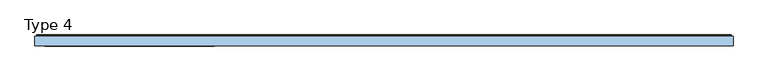
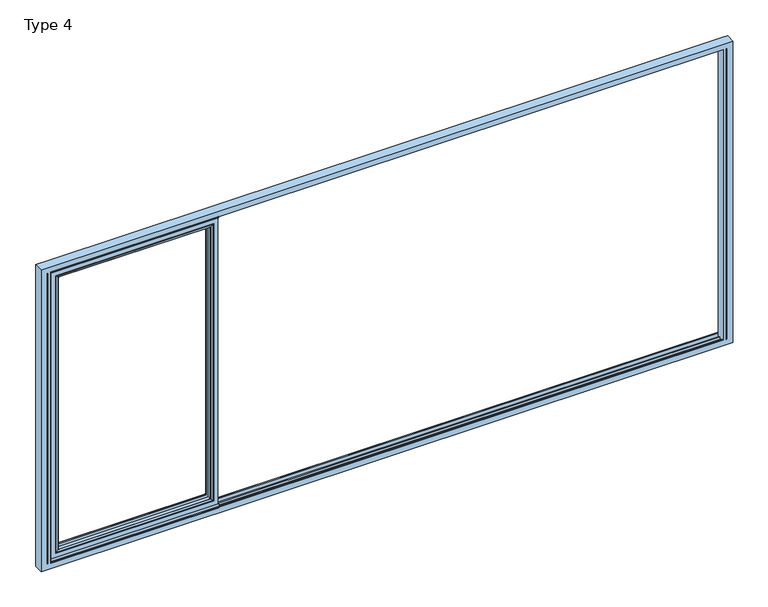
"""IFC4 building model written with IfcOpenShell, lengths in millimetres: window geometry, Type 4."""

from ifc_helpers import new_model, si_unit, point, frame, frame_2d, origin, place, context, project, spatial, polyline, circle_curve, ellipse_curve, trimmed, segment, composite_curve, outline, extrude, source, transform, mapped, element, save
from ifc_brep_helpers import plane_surface, cylinder_surface, advanced_brep


def type_4_108d9257(model_context):
    return source(origin(), model_context, "Body", "SolidModel", [
        advanced_brep(
        [(-1319.3995728, -64.5552044, 2283.0004272), (-1319.3995728, -37.9928974, 2283.0004272), (-1319.3995728, -37.9928974, 128.9995728), (-1319.3995728, -64.5552044, 128.9995728), (-1297.4, -37.9928974, 2305.0), (-1297.4, -37.9928974, 107.0), (-2480.8, -37.9928974, 107.0), (-2480.8, -37.9928974, 2305.0), (-2458.8004272, -37.9928974, 2283.0004272), (-2458.8004272, -37.9928974, 128.9995728), (-2458.8004272, -64.5552044, 128.9995728), (-1318.6900293, -65.8045072, 2283.7099707), (-1318.6900293, -65.8045072, 128.2900293), (-2459.5099707, -65.8045072, 128.2900293), (-1303.399939, -70.0, 2299.000061), (-1303.399939, -70.0, 112.999939), (-2474.800061, -70.0, 112.999939), (-2480.8, -70.0, 2305.0), (-2480.8, -70.0, 107.0), (-1297.4, -70.0, 107.0), (-1297.4, -70.0, 2305.0), (-2474.800061, -70.0, 2299.000061), (-2458.8004272, -64.5552044, 2283.0004272), (-2459.5099707, -65.8045072, 2283.7099707)],
        [
            (0, 1),
            (1, 2),
            (2, 3),
            (3, 0),
            (4, 5),
            (5, 6),
            (6, 7),
            (7, 4),
            (8, 9),
            (9, 2),
            (1, 8),
            (9, 10),
            (10, 3),
            (11, 0, ellipse_curve(frame((-1317.9449688, -64.5552044, 2284.4550312), z_axis=(0.7071067811865475, 0.0, -0.7071067811865475), x_axis=(0.7071067811865474, 0.0, 0.7071067811865476)), 2.0571207, 1.454604)),
            (3, 12, ellipse_curve(frame((-1317.9449688, -64.5552044, 127.5449688), z_axis=(0.7071067811865475, 0.0, 0.7071067811865475), x_axis=(-0.7071067811865474, 0.0, 0.7071067811865476)), 2.0571207, 1.454604)),
            (12, 11),
            (10, 13, ellipse_curve(frame((-2460.2550312, -64.5552044, 127.5449688), z_axis=(0.7071067811865475, 0.0, -0.7071067811865475), x_axis=(0.7071067811865476, 0.0, 0.7071067811865474)), 2.0571207, 1.454604)),
            (13, 12),
            (14, 11, ellipse_curve(frame((-1303.4638746, -40.2735922, 2298.9361254), z_axis=(0.7071067811865475, 0.0, -0.7071067811865475), x_axis=(0.7071067811865474, 0.0, 0.7071067811865476)), 42.0395863, 29.7264765)),
            (12, 15, ellipse_curve(frame((-1303.4638746, -40.2735922, 113.0638746), z_axis=(0.7071067811865475, 0.0, 0.7071067811865475), x_axis=(-0.7071067811865474, 0.0, 0.7071067811865476)), 42.0395863, 29.7264765)),
            (15, 14),
            (13, 16, ellipse_curve(frame((-2474.7361254, -40.2735922, 113.0638746), z_axis=(0.7071067811865475, 0.0, -0.7071067811865475), x_axis=(0.7071067811865476, 0.0, 0.7071067811865474)), 42.0395863, 29.7264765)),
            (16, 15),
            (17, 18),
            (18, 19),
            (19, 20),
            (20, 17),
            (16, 21),
            (21, 14),
            (4, 20),
            (19, 5),
            (18, 6),
            (8, 22),
            (22, 10),
            (22, 23, ellipse_curve(frame((-2460.2550312, -64.5552044, 2284.4550312), z_axis=(-0.7071067811865475, 0.0, -0.7071067811865475), x_axis=(0.7071067811865474, 0.0, -0.7071067811865476)), 2.0571207, 1.454604)),
            (23, 13),
            (23, 21, ellipse_curve(frame((-2474.7361254, -40.2735922, 2298.9361254), z_axis=(-0.7071067811865475, 0.0, -0.7071067811865475), x_axis=(0.7071067811865474, 0.0, -0.7071067811865476)), 42.0395863, 29.7264765)),
            (17, 7),
            (0, 22),
            (11, 23),
        ],
        [
            plane_surface(frame((-1319.3995728, -37.9928974, 2283.0004272), z_axis=(-1.0, 0.0, 0.0), x_axis=(0.0, 0.0, -1.0))),
            plane_surface(frame((-2480.8, -37.9928974, 107.0), z_axis=(0.0, 1.0, 0.0), x_axis=(0.0, 0.0, 1.0))),
            plane_surface(frame((-1319.3995728, -37.9928974, 128.9995728), z_axis=(0.0, 0.0, 1.0), x_axis=(-1.0, 0.0, 0.0))),
            cylinder_surface(frame((-1317.9449688, -64.5552044, 2283.0004272), z_axis=(0.0, 0.0, 1.0), x_axis=(1.0, 0.0, 0.0)), 1.454604),
            cylinder_surface(frame((-1319.3995728, -64.5552044, 127.5449688), z_axis=(1.0, 0.0, 0.0), x_axis=(0.0, 0.0, -1.0)), 1.454604),
            cylinder_surface(frame((-1303.4638746, -40.2735922, 2283.0004272), z_axis=(0.0, 0.0, 1.0), x_axis=(1.0, 0.0, 0.0)), 29.7264765),
            cylinder_surface(frame((-1319.3995728, -40.2735922, 113.0638746), z_axis=(1.0, 0.0, 0.0), x_axis=(0.0, 0.0, -1.0)), 29.7264765),
            plane_surface(frame((-2474.800061, -70.0, 112.999939), z_axis=(0.0, -1.0, 0.0), x_axis=(0.0, 0.0, 1.0))),
            plane_surface(frame((-1297.4, -70.0, 2305.0), z_axis=(1.0, 0.0, 0.0), x_axis=(0.0, 0.0, -1.0))),
            plane_surface(frame((-1297.4, -70.0, 107.0), z_axis=(0.0, 0.0, -1.0), x_axis=(-1.0, 0.0, 0.0))),
            plane_surface(frame((-2458.8004272, -37.9928974, 128.9995728), z_axis=(1.0, 0.0, 0.0), x_axis=(0.0, 0.0, 1.0))),
            cylinder_surface(frame((-2460.2550312, -64.5552044, 128.9995728), z_axis=(0.0, 0.0, -1.0), x_axis=(-1.0, 0.0, 0.0)), 1.454604),
            cylinder_surface(frame((-2474.7361254, -40.2735922, 128.9995728), z_axis=(0.0, 0.0, -1.0), x_axis=(-1.0, 0.0, 0.0)), 29.7264765),
            plane_surface(frame((-2480.8, -70.0, 107.0), z_axis=(-1.0, 0.0, 0.0), x_axis=(0.0, 0.0, 1.0))),
            plane_surface(frame((-2458.8004272, -37.9928974, 2283.0004272), z_axis=(0.0, 0.0, -1.0), x_axis=(1.0, 0.0, 0.0))),
            cylinder_surface(frame((-2458.8004272, -64.5552044, 2284.4550312), z_axis=(-1.0, 0.0, 0.0), x_axis=(0.0, 0.0, 1.0)), 1.454604),
            cylinder_surface(frame((-2458.8004272, -40.2735922, 2298.9361254), z_axis=(-1.0, 0.0, 0.0), x_axis=(0.0, 0.0, 1.0)), 29.7264765),
            plane_surface(frame((-2480.8, -70.0, 2305.0), z_axis=(0.0, 0.0, 1.0), x_axis=(1.0, 0.0, 0.0))),
        ],
        [
            (0, [[1, 2, 3, 4]]),
            (1, [[5, 6, 7, 8], [9, 10, -2, 11]]),
            (2, [[-3, -10, 12, 13]]),
            (3, [[14, -4, 15, 16]]),
            (4, [[-15, -13, 17, 18]]),
            (5, [[19, -16, 20, 21]]),
            (6, [[-20, -18, 22, 23]]),
            (7, [[24, 25, 26, 27], [-21, -23, 28, 29]]),
            (8, [[30, -26, 31, -5]]),
            (9, [[-31, -25, 32, -6]]),
            (10, [[-12, -9, 33, 34]]),
            (11, [[-17, -34, 35, 36]]),
            (12, [[-22, -36, 37, -28]]),
            (13, [[-32, -24, 38, -7]]),
            (14, [[-33, -11, -1, 39]]),
            (15, [[-35, -39, -14, 40]]),
            (16, [[-37, -40, -19, -29]]),
            (17, [[-38, -27, -30, -8]]),
        ],
    ),
        advanced_brep(
        [(-2512.8, -70.0, 2337.0), (-2512.8, 0.0, 2337.0), (-2512.8, 0.0, 75.0), (-2512.8, -70.0, 75.0), (-1265.4, 0.0, 75.0), (-1265.4, -70.0, 75.0), (-1265.4, 0.0, 2337.0), (-1314.8991901, 0.0, 124.4991901), (-1314.8991901, 0.0, 2287.5008099), (-2463.3008099, 0.0, 2287.5008099), (-2463.3008099, 0.0, 124.4991901), (-1265.4, -70.0, 2337.0), (-2480.8, -70.0, 107.0), (-2480.8, -70.0, 2305.0), (-1297.4, -70.0, 2305.0), (-1297.4, -70.0, 107.0), (-2480.8, -13.999939, 2305.0), (-2480.8, -13.999939, 107.0), (-1297.4, -13.999939, 107.0), (-1297.4, -13.999939, 2305.0), (-2458.8004272, -13.999939, 128.9995728), (-2458.8004272, -13.999939, 2283.0004272), (-1319.3995728, -13.999939, 2283.0004272), (-1319.3995728, -13.999939, 128.9995728), (-2458.8004272, -4.5004435, 2283.0004272), (-2458.8004272, -4.5004435, 128.9995728), (-1319.3995728, -4.5004435, 128.9995728), (-1319.3995728, -4.5004435, 2283.0004272)],
        [
            (0, 1),
            (1, 2),
            (2, 3),
            (3, 0),
            (2, 4),
            (4, 5),
            (5, 3),
            (1, 6),
            (6, 4),
            (7, 8),
            (8, 9),
            (9, 10),
            (10, 7),
            (6, 11),
            (11, 5),
            (11, 0),
            (12, 13),
            (13, 14),
            (14, 15),
            (15, 12),
            (16, 13),
            (12, 17),
            (17, 16),
            (15, 18),
            (18, 17),
            (14, 19),
            (19, 18),
            (19, 16),
            (20, 21),
            (21, 22),
            (22, 23),
            (23, 20),
            (24, 21),
            (20, 25),
            (25, 24),
            (23, 26),
            (26, 25),
            (22, 27),
            (27, 26),
            (10, 25, ellipse_curve(frame((-2463.3008099, -4.5004435, 124.4991901), z_axis=(0.7071067811865475, 0.0, -0.7071067811865475), x_axis=(-0.7071067811865476, 0.0, -0.7071067811865474)), 6.3645023, 4.5003827)),
            (26, 7, ellipse_curve(frame((-1314.8991901, -4.5004435, 124.4991901), z_axis=(-0.7071067811865475, 0.0, -0.7071067811865475), x_axis=(-0.7071067811865476, 0.0, 0.7071067811865474)), 6.3645023, 4.5003827)),
            (9, 24, ellipse_curve(frame((-2463.3008099, -4.5004435, 2287.5008099), z_axis=(-0.7071067811865475, 0.0, -0.7071067811865475), x_axis=(-0.7071067811865474, 0.0, 0.7071067811865476)), 6.3645023, 4.5003827)),
            (27, 8, ellipse_curve(frame((-1314.8991901, -4.5004435, 2287.5008099), z_axis=(0.7071067811865475, 0.0, -0.7071067811865475), x_axis=(-0.7071067811865474, 0.0, -0.7071067811865476)), 6.3645023, 4.5003827)),
            (24, 27),
        ],
        [
            plane_surface(frame((-2512.8, 0.0, 2337.0), z_axis=(-1.0, 0.0, 0.0), x_axis=(0.0, 0.0, -1.0))),
            plane_surface(frame((-2512.8, 0.0, 75.0), z_axis=(0.0, 0.0, -1.0), x_axis=(1.0, 0.0, 0.0))),
            plane_surface(frame((-2463.3008099, 0.0, 2287.5008099), z_axis=(0.0, 1.0, 0.0), x_axis=(0.0, 0.0, -1.0))),
            plane_surface(frame((-1265.4, 0.0, 75.0), z_axis=(1.0, 0.0, 0.0), x_axis=(0.0, 0.0, 1.0))),
            plane_surface(frame((-2512.8, -70.0, 2337.0), z_axis=(0.0, -1.0, 0.0), x_axis=(0.0, 0.0, -1.0))),
            plane_surface(frame((-2480.8, -70.0, 2305.0), z_axis=(1.0, 0.0, 0.0), x_axis=(0.0, 0.0, -1.0))),
            plane_surface(frame((-2480.8, -70.0, 107.0), z_axis=(0.0, 0.0, 1.0), x_axis=(1.0, 0.0, 0.0))),
            plane_surface(frame((-1297.4, -70.0, 107.0), z_axis=(-1.0, 0.0, 0.0), x_axis=(0.0, 0.0, 1.0))),
            plane_surface(frame((-2480.8, -13.999939, 2305.0), z_axis=(0.0, -1.0, 0.0), x_axis=(0.0, 0.0, -1.0))),
            plane_surface(frame((-2458.8004272, -13.999939, 2283.0004272), z_axis=(1.0, 0.0, 0.0), x_axis=(0.0, 0.0, -1.0))),
            plane_surface(frame((-2458.8004272, -13.999939, 128.9995728), z_axis=(0.0, 0.0, 1.0), x_axis=(1.0, 0.0, 0.0))),
            plane_surface(frame((-1319.3995728, -13.999939, 128.9995728), z_axis=(-1.0, 0.0, 0.0), x_axis=(0.0, 0.0, 1.0))),
            cylinder_surface(frame((-2518.8, -4.5004435, 124.4991901), z_axis=(-1.0, 0.0, 0.0), x_axis=(0.0, -1.0, 0.0)), 4.5003827),
            cylinder_surface(frame((-2463.3008099, -4.5004435, 2343.0), z_axis=(0.0, 0.0, 1.0), x_axis=(0.0, -1.0, 0.0)), 4.5003827),
            cylinder_surface(frame((-1314.8991901, -4.5004435, 69.0), z_axis=(0.0, 0.0, -1.0), x_axis=(0.0, -1.0, 0.0)), 4.5003827),
            plane_surface(frame((-1265.4, 0.0, 2337.0), z_axis=(0.0, 0.0, 1.0), x_axis=(-1.0, 0.0, 0.0))),
            plane_surface(frame((-1297.4, -70.0, 2305.0), z_axis=(0.0, 0.0, -1.0), x_axis=(-1.0, 0.0, 0.0))),
            plane_surface(frame((-1319.3995728, -13.999939, 2283.0004272), z_axis=(0.0, 0.0, -1.0), x_axis=(-1.0, 0.0, 0.0))),
            cylinder_surface(frame((-1259.4, -4.5004435, 2287.5008099), z_axis=(1.0, 0.0, 0.0), x_axis=(0.0, -1.0, 0.0)), 4.5003827),
        ],
        [
            (0, [[1, 2, 3, 4]]),
            (1, [[-3, 5, 6, 7]]),
            (2, [[-2, 8, 9, -5], [10, 11, 12, 13]]),
            (3, [[-6, -9, 14, 15]]),
            (4, [[-15, 16, -4, -7], [17, 18, 19, 20]]),
            (5, [[21, -17, 22, 23]]),
            (6, [[-22, -20, 24, 25]]),
            (7, [[-24, -19, 26, 27]]),
            (8, [[-27, 28, -23, -25], [29, 30, 31, 32]]),
            (9, [[33, -29, 34, 35]]),
            (10, [[-34, -32, 36, 37]]),
            (11, [[-36, -31, 38, 39]]),
            (12, [[40, -37, 41, -13]]),
            (13, [[42, -35, -40, -12]]),
            (14, [[-41, -39, 43, -10]]),
            (15, [[-14, -8, -1, -16]]),
            (16, [[-26, -18, -21, -28]]),
            (17, [[-38, -30, -33, 44]]),
            (18, [[-43, -44, -42, -11]]),
        ],
    ),
        extrude(outline(polyline([(-2518.8, -7.6000076), (-2518.8, 0.0), (-1259.4, 0.0), (-1259.4, -7.6000076), (-2518.8, -7.6000076)])), frame((0.0, 0.0, 52.9995117), z_axis=(0.0, 0.0, 1.0), x_axis=(1.0, 0.0, 0.0)), (0.0, 0.0, 1.0), 22.0004883),
        extrude(outline(composite_curve([segment(polyline([(-70.0, 45.0), (-70.0, 41.2896854), (-70.8737, 41.2896854), (-71.8670103, 44.9870904)]), True, "CONTINUOUS"), segment(trimmed(circle_curve(frame_2d((-69.9354978, 45.5059925)), 2.0), [point((-71.8670103, 44.9870904))], [point((-71.8566157, 46.0621453))], False, "CARTESIAN"), True, "CONTINUOUS"), segment(polyline([(-71.8566157, 46.0621453), (-70.0, 52.4754501), (-70.0, 75.0), (-62.2757497, 75.0), (-62.2757497, 45.0), (-70.0, 45.0)]), True, "CONTINUOUS")], self_intersect=False)), frame((-2518.8, 0.0, 0.0), z_axis=(1.0, 0.0, 0.0), x_axis=(0.0, 1.0, 0.0)), (0.0, 0.0, 1.0), 1259.4),
        extrude(outline(composite_curve([segment(polyline([(-52.044326, 2339.1400778), (-52.044326, 2337.0), (-70.0, 2337.0), (-71.8735116, 2343.9547971)]), True, "CONTINUOUS"), segment(trimmed(circle_curve(frame_2d((-69.9423544, 2344.4750201)), 2.0), [point((-71.8735116, 2343.9547971))], [point((-71.8738669, 2344.9939222))], False, "CARTESIAN"), True, "CONTINUOUS"), segment(polyline([(-71.8738669, 2344.9939222), (-70.8937897, 2348.6420698), (-70.0, 2348.6420698), (-70.0, 2342.963961), (-68.6363596, 2339.1400778), (-52.044326, 2339.1400778)]), True, "CONTINUOUS")], self_intersect=False)), frame((-2518.8, 0.0, 0.0), z_axis=(1.0, 0.0, 0.0), x_axis=(0.0, 1.0, 0.0)), (0.0, 0.0, 1.0), 1259.4),
        advanced_brep(
        [(-2545.0, -70.0, 45.0), (-2545.0, -66.5, 45.0), (-2545.0, -66.4999084, 2345.0), (-2545.0, -70.0, 2345.0), (-2540.0003662, -70.0, 45.0), (-2540.0003662, -66.5, 45.0), (2545.0, -70.0, 45.0), (2545.0, -66.5, 45.0), (2540.0003662, -66.4999084, 45.0), (2540.0003662, -70.0, 45.0), (-2518.8, -66.5, 45.0), (-2518.8, -70.0, 45.0), (2518.7961345, -70.0, 45.0), (2518.7961345, -66.5, 45.0), (-2590.0, -70.0, 2390.0), (-2590.0, -70.0, 0.0), (2590.0, -70.0, 0.0), (2590.0, -70.0, 2390.0), (-2540.0003662, -70.0, 2345.0), (2545.0, -70.0, 2345.0), (2540.0003662, -70.0, 2345.0), (-2518.8, -70.0, 2345.0), (2518.7961345, -70.0, 2345.0), (-2540.0003662, -66.5, 2345.0), (2545.0, -66.5, 2345.0), (2540.0003662, -66.4999084, 2345.0), (-2518.8, -66.5, 24.0002136), (-2518.8, -55.8499756, 24.0002136), (-2518.8, -55.8499756, 40.999939), (-2518.8, -46.25, 40.999939), (-2518.8, -46.25, 24.0002136), (-2518.8, -23.7500839, 24.0002136), (-2518.8, -23.7500839, 40.999939), (-2518.8, -14.1501312, 40.999939), (-2518.8, -14.1501312, 24.0002136), (-2518.8, 0.0, 24.0002136), (-2518.8, 0.0, 59.9999084), (-2518.8, 0.0, 2330.0000916), (-2518.8, 0.0, 2365.9997864), (-2518.8, -14.1501312, 2365.9997864), (-2518.8, -14.1501312, 2349.000061), (-2518.8, -23.7500839, 2349.000061), (-2518.8, -23.7500839, 2365.9997864), (-2518.8, -46.25, 2365.9997864), (-2518.8, -46.25, 2349.000061), (-2518.8, -55.8499756, 2349.000061), (-2518.8, -55.8499756, 2365.9997864), (-2518.8, -66.5, 2365.9997864), (-2518.8, -66.5, 2345.0), (2518.7961345, -66.5, 2345.0), (2518.7961345, -66.5, 2365.9997864), (2518.7961345, -55.8499756, 2365.9997864), (2518.7961345, -55.8499756, 2349.000061), (2518.7961345, -46.25, 2349.000061), (2518.7961345, -46.25, 2365.9997864), (2518.7961345, -23.7500839, 2365.9997864), (2518.7961345, -23.7500839, 2349.000061), (2518.7961345, -14.1501312, 2349.000061), (2518.7961345, -14.1501312, 2365.9997864), (2518.7961345, 0.0, 2365.9997864), (2518.7961345, 0.0, 2330.0000916), (2518.7961345, 0.0, 59.9999084), (2518.7961345, 0.0, 24.0002136), (2518.7961345, -14.1501312, 24.0002136), (2518.7961345, -14.1501312, 40.999939), (2518.7961345, -23.7500839, 40.999939), (2518.7961345, -23.7500839, 24.0002136), (2518.7961345, -46.25, 24.0002136), (2518.7961345, -46.25, 40.999939), (2518.7961345, -55.8499756, 40.999939), (2518.7961345, -55.8499756, 24.0002136), (2518.7961345, -66.5, 24.0002136), (-2590.0, 0.0, 0.0), (-2565.9997864, 0.0, 0.0), (-2518.8, 0.0, 0.0), (2518.7961345, 0.0, 0.0), (2565.9997864, 0.0, 0.0), (2590.0, 0.0, 0.0), (-2590.0, 0.0, 2390.0), (-2565.9997864, 0.0, 2390.0), (-2518.8, 0.0, 2390.0), (2518.7961345, 0.0, 2390.0), (2565.9997864, 0.0, 2390.0), (2590.0, 0.0, 2390.0), (-2577.999939, 0.0, 2377.999939), (-2577.999939, 0.0, 12.000061), (-2565.9997864, 0.0, 12.000061), (-2518.8, 0.0, 12.000061), (2518.7961345, 0.0, 12.000061), (2565.9997864, 0.0, 12.000061), (2577.999939, 0.0, 12.000061), (2577.999939, 0.0, 2377.999939), (2565.9997864, 0.0, 2377.999939), (2518.7961345, 0.0, 2377.999939), (-2518.8, 0.0, 2377.999939), (-2565.9997864, 0.0, 2377.999939), (-2530.0000916, 0.0, 59.9999084), (-2530.0000916, 7.4999847, 59.9999084), (-2530.0000916, 7.4999847, 2330.0000916), (-2530.0000916, 0.0, 2330.0000916), (2530.0000916, 0.0, 59.9999084), (2530.0000916, 7.4999847, 59.9999084), (2530.0000916, 0.0, 2330.0000916), (2530.0000916, 7.4999847, 2330.0000916), (2532.5000916, 9.9999847, 57.4999084), (-2532.5000916, 9.9999847, 57.4999084), (-2577.999939, 5.4999847, 12.000061), (-2577.999939, 5.4999847, 2377.999939), (2577.999939, 5.4999847, 12.000061), (-2573.499939, 9.9999847, 16.500061), (2573.499939, 9.9999847, 16.500061), (2577.999939, 5.4999847, 2377.999939), (-2532.5000916, 9.9999847, 2332.5000916), (-2573.499939, 9.9999847, 2373.499939), (2532.5000916, 9.9999847, 2332.5000916), (2573.499939, 9.9999847, 2373.499939)],
        [
            (0, 1),
            (1, 2),
            (2, 3),
            (3, 0),
            (0, 4),
            (4, 5),
            (5, 1),
            (6, 7),
            (7, 8),
            (8, 9),
            (9, 6),
            (10, 11),
            (11, 12),
            (12, 13),
            (13, 10),
            (14, 15),
            (15, 16),
            (16, 17),
            (17, 14),
            (3, 18),
            (18, 4),
            (19, 6),
            (9, 20),
            (20, 19),
            (21, 22),
            (22, 12),
            (11, 21),
            (18, 23),
            (23, 5),
            (23, 2),
            (19, 24),
            (24, 7),
            (25, 8),
            (24, 25),
            (25, 20),
            (10, 26),
            (26, 27),
            (27, 28),
            (28, 29),
            (29, 30),
            (30, 31),
            (31, 32),
            (32, 33),
            (33, 34),
            (34, 35),
            (35, 36),
            (36, 37),
            (37, 38),
            (38, 39),
            (39, 40),
            (40, 41),
            (41, 42),
            (42, 43),
            (43, 44),
            (44, 45),
            (45, 46),
            (46, 47),
            (47, 48),
            (48, 21),
            (22, 49),
            (49, 50),
            (50, 51),
            (51, 52),
            (52, 53),
            (53, 54),
            (54, 55),
            (55, 56),
            (56, 57),
            (57, 58),
            (58, 59),
            (59, 60),
            (60, 61),
            (61, 62),
            (62, 63),
            (63, 64),
            (64, 65),
            (65, 66),
            (66, 67),
            (67, 68),
            (68, 69),
            (69, 70),
            (70, 71),
            (71, 13),
            (71, 26),
            (47, 50),
            (49, 48),
            (15, 72),
            (72, 73),
            (73, 74),
            (74, 75),
            (75, 76),
            (76, 77),
            (77, 16),
            (14, 78),
            (78, 72),
            (78, 79),
            (79, 80),
            (80, 81),
            (81, 82),
            (82, 83),
            (83, 77),
            (84, 85),
            (85, 86),
            (86, 87),
            (87, 88),
            (88, 89),
            (89, 90),
            (90, 91),
            (91, 92),
            (92, 93),
            (93, 94),
            (94, 95),
            (95, 84),
            (83, 17),
            (70, 27),
            (69, 28),
            (45, 52),
            (51, 46),
            (68, 29),
            (67, 30),
            (43, 54),
            (53, 44),
            (66, 31),
            (65, 32),
            (41, 56),
            (55, 42),
            (64, 33),
            (63, 34),
            (39, 58),
            (57, 40),
            (62, 35),
            (61, 36),
            (37, 60),
            (59, 38),
            (96, 97),
            (97, 98),
            (98, 99),
            (99, 96),
            (96, 36),
            (61, 100),
            (100, 101),
            (101, 97),
            (99, 37),
            (60, 102),
            (102, 100),
            (102, 103),
            (103, 101),
            (101, 104, ellipse_curve(frame((2532.5000916, 7.4999847, 57.4999084), z_axis=(-0.7071067811865498, 0.0, -0.7071067811865451), x_axis=(-0.7071067811865452, 0.0, 0.7071067811865497)), 3.5355339, 2.5)),
            (104, 105),
            (105, 97, ellipse_curve(frame((-2532.5000916, 7.4999847, 57.4999084), z_axis=(0.7071067811865451, 0.0, -0.7071067811865498), x_axis=(-0.70710678118655, 0.0, -0.7071067811865451)), 3.5355339, 2.5)),
            (106, 85),
            (84, 107),
            (107, 106),
            (106, 108),
            (108, 90),
            (106, 109, ellipse_curve(frame((-2573.499939, 5.4999847, 16.500061), z_axis=(0.7071067811865451, 0.0, -0.7071067811865498), x_axis=(-0.70710678118655, 0.0, -0.7071067811865451)), 6.363961, 4.5)),
            (109, 110),
            (110, 108, ellipse_curve(frame((2573.499939, 5.4999847, 16.500061), z_axis=(-0.7071067811865498, 0.0, -0.7071067811865451), x_axis=(-0.7071067811865452, 0.0, 0.7071067811865497)), 6.363961, 4.5)),
            (108, 111),
            (111, 91),
            (105, 112),
            (112, 98, ellipse_curve(frame((-2532.5000916, 7.4999847, 2332.5000916), z_axis=(-0.7071067811865498, 0.0, -0.7071067811865451), x_axis=(-0.7071067811865451, 0.0, 0.70710678118655)), 3.5355339, 2.5)),
            (107, 113, ellipse_curve(frame((-2573.499939, 5.4999847, 2373.499939), z_axis=(-0.7071067811865498, 0.0, -0.7071067811865451), x_axis=(-0.7071067811865451, 0.0, 0.70710678118655)), 6.363961, 4.5)),
            (113, 109),
            (103, 114, ellipse_curve(frame((2532.5000916, 7.4999847, 2332.5000916), z_axis=(0.7071067811865451, 0.0, -0.7071067811865498), x_axis=(-0.7071067811865497, 0.0, -0.7071067811865452)), 3.5355339, 2.5)),
            (114, 104),
            (110, 115),
            (115, 111, ellipse_curve(frame((2573.499939, 5.4999847, 2373.499939), z_axis=(0.7071067811865451, 0.0, -0.7071067811865498), x_axis=(-0.7071067811865497, 0.0, -0.7071067811865452)), 6.363961, 4.5)),
            (113, 115),
            (114, 112),
            (98, 103),
            (111, 107),
        ],
        [
            plane_surface(frame((-2545.0, -70.0, 2345.0), z_axis=(1.0, 0.0, 0.0), x_axis=(0.0, 0.0, -1.0))),
            plane_surface(frame((-2545.0, -70.0, 45.0), z_axis=(0.0, 0.0, 1.0), x_axis=(1.0, 0.0, 0.0))),
            plane_surface(frame((2590.0, -70.0, 2390.0), z_axis=(0.0, -1.0, 0.0), x_axis=(-1.0, 0.0, 0.0))),
            plane_surface(frame((-2540.0003662, -66.4999084, 2390.0), z_axis=(-1.0, 0.0, 0.0), x_axis=(0.0, 0.0, -1.0))),
            plane_surface(frame((-2565.9997864, -66.4999084, 2390.0), z_axis=(0.0, -1.0, 0.0), x_axis=(0.0, 0.0, -1.0))),
            plane_surface(frame((2545.0, -70.0, 45.0), z_axis=(-1.0, 0.0, 0.0), x_axis=(0.0, 0.0, 1.0))),
            plane_surface(frame((2540.0003662, -66.4999084, 2390.0), z_axis=(0.0, -1.0, 0.0), x_axis=(0.0, 0.0, -1.0))),
            plane_surface(frame((2540.0003662, -70.0, 2390.0), z_axis=(1.0, 0.0, 0.0), x_axis=(0.0, 0.0, -1.0))),
            plane_surface(frame((-2518.8, -70.0, 2390.0), z_axis=(1.0, 0.0, 0.0), x_axis=(0.0, 0.0, -1.0))),
            plane_surface(frame((2518.7961345, 0.0, 2390.0), z_axis=(-1.0, 0.0, 0.0), x_axis=(0.0, 0.0, -1.0))),
            plane_surface(frame((2545.0, -66.5, 2345.0), z_axis=(0.0, 1.0, 0.0), x_axis=(-1.0, 0.0, 0.0))),
            plane_surface(frame((-2590.0, 0.0, 0.0), z_axis=(0.0, 0.0, -1.0), x_axis=(1.0, 0.0, 0.0))),
            plane_surface(frame((-2590.0, 0.0, 2390.0), z_axis=(-1.0, 0.0, 0.0), x_axis=(0.0, 0.0, -1.0))),
            plane_surface(frame((2577.999939, 0.0, 2377.999939), z_axis=(0.0, 1.0, 0.0), x_axis=(-1.0, 0.0, 0.0))),
            plane_surface(frame((2590.0, 0.0, 0.0), z_axis=(1.0, 0.0, 0.0), x_axis=(0.0, 0.0, 1.0))),
            plane_surface(frame((-2565.9997864, -66.5, 24.0002136), z_axis=(0.0, 0.0, 1.0), x_axis=(1.0, 0.0, 0.0))),
            plane_surface(frame((2565.9997864, -55.8499756, 2365.9997864), z_axis=(0.0, -1.0, 0.0), x_axis=(-1.0, 0.0, 0.0))),
            plane_surface(frame((-2549.000061, -55.8499756, 40.999939), z_axis=(0.0, 0.0, 1.0), x_axis=(1.0, 0.0, 0.0))),
            plane_surface(frame((2549.000061, -46.25, 2349.000061), z_axis=(0.0, 1.0, 0.0), x_axis=(-1.0, 0.0, 0.0))),
            plane_surface(frame((-2565.9997864, -46.25, 24.0002136), z_axis=(0.0, 0.0, 1.0), x_axis=(1.0, 0.0, 0.0))),
            plane_surface(frame((2565.9997864, -23.7500839, 2365.9997864), z_axis=(0.0, -1.0, 0.0), x_axis=(-1.0, 0.0, 0.0))),
            plane_surface(frame((-2549.000061, -23.7500839, 40.999939), z_axis=(0.0, 0.0, 1.0), x_axis=(1.0, 0.0, 0.0))),
            plane_surface(frame((2549.000061, -14.1501312, 2349.000061), z_axis=(0.0, 1.0, 0.0), x_axis=(-1.0, 0.0, 0.0))),
            plane_surface(frame((-2565.9997864, -14.1501312, 24.0002136), z_axis=(0.0, 0.0, 1.0), x_axis=(1.0, 0.0, 0.0))),
            plane_surface(frame((2565.9997864, 0.0, 2365.9997864), z_axis=(0.0, -1.0, 0.0), x_axis=(-1.0, 0.0, 0.0))),
            plane_surface(frame((-2530.0000916, 0.0, 2330.0000916), z_axis=(1.0, 0.0, 0.0), x_axis=(0.0, 0.0, -1.0))),
            plane_surface(frame((-2530.0000916, 0.0, 59.9999084), z_axis=(0.0, 0.0, 1.0), x_axis=(1.0, 0.0, 0.0))),
            plane_surface(frame((-2518.8, 0.0, 2390.0), z_axis=(0.0, 1.0, 0.0), x_axis=(0.0, 0.0, -1.0))),
            plane_surface(frame((2565.9997864, 0.0, 2390.0), z_axis=(0.0, 1.0, 0.0), x_axis=(0.0, 0.0, -1.0))),
            plane_surface(frame((2530.0000916, 0.0, 59.9999084), z_axis=(-1.0, 0.0, 0.0), x_axis=(0.0, 0.0, 1.0))),
            cylinder_surface(frame((-2590.0, 7.4999847, 57.4999084), z_axis=(-1.0, 0.0, 0.0), x_axis=(0.0, 0.0, 1.0)), 2.5),
            plane_surface(frame((-2577.999939, 5.4999847, 2377.999939), z_axis=(-1.0, 0.0, 0.0), x_axis=(0.0, 0.0, -1.0))),
            plane_surface(frame((-2577.999939, 5.4999847, 12.000061), z_axis=(0.0, 0.0, -1.0), x_axis=(1.0, 0.0, 0.0))),
            cylinder_surface(frame((-2590.0, 5.4999847, 16.500061), z_axis=(-1.0, 0.0, 0.0), x_axis=(0.0, 0.0, 1.0)), 4.5),
            plane_surface(frame((2577.999939, 5.4999847, 12.000061), z_axis=(1.0, 0.0, 0.0), x_axis=(0.0, 0.0, 1.0))),
            cylinder_surface(frame((-2532.5000916, 7.4999847, 2390.0), z_axis=(0.0, 0.0, 1.0), x_axis=(1.0, 0.0, 0.0)), 2.5),
            cylinder_surface(frame((-2573.499939, 5.4999847, 2390.0), z_axis=(0.0, 0.0, 1.0), x_axis=(1.0, 0.0, 0.0)), 4.5),
            cylinder_surface(frame((2532.5000916, 7.4999847, 0.0), z_axis=(0.0, 0.0, -1.0), x_axis=(-1.0, 0.0, 0.0)), 2.5),
            cylinder_surface(frame((2573.499939, 5.4999847, 0.0), z_axis=(0.0, 0.0, -1.0), x_axis=(-1.0, 0.0, 0.0)), 4.5),
            plane_surface(frame((2532.5000916, 9.9999847, 2332.5000916), z_axis=(0.0, 1.0, 0.0), x_axis=(-1.0, 0.0, 0.0))),
            plane_surface(frame((2590.0, 0.0, 2390.0), z_axis=(0.0, 0.0, 1.0), x_axis=(-1.0, 0.0, 0.0))),
            plane_surface(frame((2545.0, -70.0, 2345.0), z_axis=(0.0, 0.0, -1.0), x_axis=(-1.0, 0.0, 0.0))),
            plane_surface(frame((2530.0000916, 0.0, 2330.0000916), z_axis=(0.0, 0.0, -1.0), x_axis=(-1.0, 0.0, 0.0))),
            plane_surface(frame((2577.999939, 5.4999847, 2377.999939), z_axis=(0.0, 0.0, 1.0), x_axis=(-1.0, 0.0, 0.0))),
            plane_surface(frame((2565.9997864, -66.5, 2365.9997864), z_axis=(0.0, 0.0, -1.0), x_axis=(-1.0, 0.0, 0.0))),
            plane_surface(frame((2549.000061, -55.8499756, 2349.000061), z_axis=(0.0, 0.0, -1.0), x_axis=(-1.0, 0.0, 0.0))),
            plane_surface(frame((2565.9997864, -46.25, 2365.9997864), z_axis=(0.0, 0.0, -1.0), x_axis=(-1.0, 0.0, 0.0))),
            plane_surface(frame((2549.000061, -23.7500839, 2349.000061), z_axis=(0.0, 0.0, -1.0), x_axis=(-1.0, 0.0, 0.0))),
            plane_surface(frame((2565.9997864, -14.1501312, 2365.9997864), z_axis=(0.0, 0.0, -1.0), x_axis=(-1.0, 0.0, 0.0))),
            cylinder_surface(frame((2590.0, 7.4999847, 2332.5000916), z_axis=(1.0, 0.0, 0.0), x_axis=(0.0, 0.0, -1.0)), 2.5),
            cylinder_surface(frame((2590.0, 5.4999847, 2373.499939), z_axis=(1.0, 0.0, 0.0), x_axis=(0.0, 0.0, -1.0)), 4.5),
        ],
        [
            (0, [[1, 2, 3, 4]]),
            (1, [[-1, 5, 6, 7]]),
            (1, [[8, 9, 10, 11]]),
            (1, [[12, 13, 14, 15]]),
            (2, [[16, 17, 18, 19], [-4, 20, 21, -5], [22, -11, 23, 24], [25, 26, -13, 27]]),
            (3, [[-21, 28, 29, -6]]),
            (4, [[-29, 30, -2, -7]]),
            (5, [[-8, -22, 31, 32]]),
            (6, [[33, -9, -32, 34]]),
            (7, [[-23, -10, -33, 35]]),
            (8, [[-27, -12, 36, 37, 38, 39, 40, 41, 42, 43, 44, 45, 46, 47, 48, 49, 50, 51, 52, 53, 54, 55, 56, 57, 58, 59]]),
            (9, [[-26, 60, 61, 62, 63, 64, 65, 66, 67, 68, 69, 70, 71, 72, 73, 74, 75, 76, 77, 78, 79, 80, 81, 82, 83, -14]]),
            (10, [[-36, -15, -83, 84]]),
            (10, [[-58, 85, -61, 86]]),
            (11, [[-17, 87, 88, 89, 90, 91, 92, 93]]),
            (12, [[-87, -16, 94, 95]]),
            (13, [[-95, 96, 97, 98, 99, 100, 101, -92, -91, -90, -89, -88], [102, 103, 104, 105, 106, 107, 108, 109, 110, 111, 112, 113]]),
            (14, [[-93, -101, 114, -18]]),
            (15, [[-37, -84, -82, 115]]),
            (16, [[-38, -115, -81, 116]]),
            (16, [[-56, 117, -63, 118]]),
            (17, [[-39, -116, -80, 119]]),
            (18, [[-40, -119, -79, 120]]),
            (18, [[-54, 121, -65, 122]]),
            (19, [[-41, -120, -78, 123]]),
            (20, [[-42, -123, -77, 124]]),
            (20, [[-52, 125, -67, 126]]),
            (21, [[-43, -124, -76, 127]]),
            (22, [[-44, -127, -75, 128]]),
            (22, [[-50, 129, -69, 130]]),
            (23, [[-45, -128, -74, 131]]),
            (24, [[-46, -131, -73, 132]]),
            (24, [[-48, 133, -71, 134]]),
            (25, [[135, 136, 137, 138]]),
            (26, [[-135, 139, -132, 140, 141, 142]]),
            (27, [[-47, -139, -138, 143]]),
            (28, [[-72, 144, 145, -140]]),
            (29, [[-141, -145, 146, 147]]),
            (30, [[-142, 148, 149, 150]]),
            (31, [[151, -102, 152, 153]]),
            (32, [[-151, 154, 155, -107, -106, -105, -104, -103]]),
            (33, [[-154, 156, 157, 158]]),
            (34, [[-155, 159, 160, -108]]),
            (35, [[-136, -150, 161, 162]]),
            (36, [[-153, 163, 164, -156]]),
            (37, [[-147, 165, 166, -148]]),
            (38, [[-159, -158, 167, 168]]),
            (39, [[169, -167, -157, -164], [-149, -166, 170, -161]]),
            (40, [[-94, -19, -114, -100, -99, -98, -97, -96]]),
            (41, [[-31, -24, -35, -34]]),
            (41, [[-3, -30, -28, -20]]),
            (41, [[-59, -86, -60, -25]]),
            (42, [[-137, 171, -146, -144, -133, -143]]),
            (43, [[-152, -113, -112, -111, -110, -109, -160, 172]]),
            (44, [[-57, -118, -62, -85]]),
            (45, [[-55, -122, -64, -117]]),
            (46, [[-53, -126, -66, -121]]),
            (47, [[-51, -130, -68, -125]]),
            (48, [[-49, -134, -70, -129]]),
            (49, [[-171, -162, -170, -165]]),
            (50, [[-169, -163, -172, -168]]),
        ],
    ),
    ])


if __name__ == "__main__":
    model = new_model("IFC4")
    model_context = context("Model", 3, world=origin())
    ifc_project = project(units=[si_unit("LENGTHUNIT", "METRE", prefix="MILLI")], contexts=[model_context])
    site = spatial("IfcSite", under=ifc_project)
    building = spatial("IfcBuilding", under=site)
    placement = place(None, origin())
    type_4_shape = type_4_108d9257(model_context)
    element("IfcWindow", 1, ObjectType="Type 4", at=placement, inside=building, context=model_context, shape_type="MappedRepresentation", body=[
        mapped(type_4_shape, transform((0.0, 0.0, 0.0), x_axis=(1.0, 0.0, 0.0), y_axis=(0.0, 1.0, 0.0), z_axis=(0.0, 0.0, 1.0))),
    ])
    save(model, "model.ifc")
